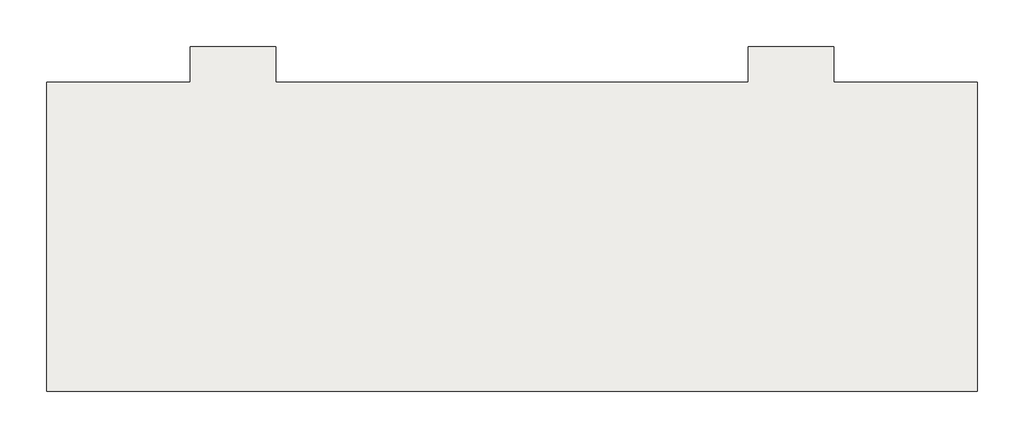
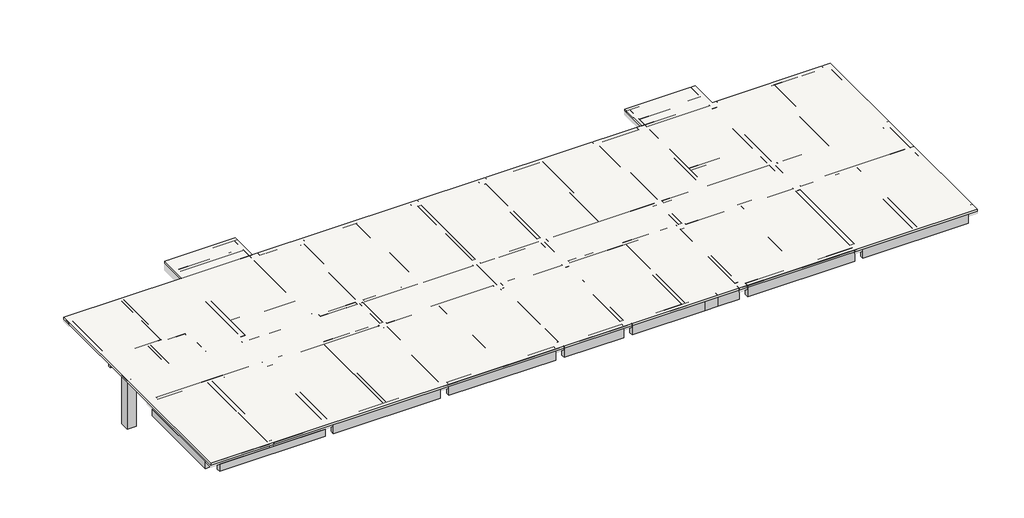
# One storey, part 1 of 3: 42 beams, 1 column, 1 slab.
"""IFC4 building model written with IfcOpenShell, lengths in millimetres."""

import ifcopenshell
import ifcopenshell.guid

model = None  # the IFC model being written
_history = None  # IfcOwnerHistory: only IFC2X3 demands one
_inside = {}  # id of a spatial element -> (the spatial element, [elements in it])
_under = {}  # id of a project, library or spatial element -> (it, [spatial elements below it])
_declared = {}  # id of a project -> (the project, [libraries it declares])
_typed = {}  # id of a type object -> (the type object, [elements of that type])
_made_of = {}  # id of a material, layer set ... -> (it, [elements and type objects made of it])


def new_model(schema):
    """Start an empty IFC model of exactly this schema.

    Asked for "IFC4X3", IfcOpenShell would pick the latest addendum, in which some entities
    have other attributes; the version numbers below select the first issue.
    IFC2X3 requires an IfcOwnerHistory on every rooted entity: one is made here for all.
    """
    global model, _history
    if schema == "IFC4X3":
        model = ifcopenshell.file(schema_version=(4, 3, 0, 0))
    else:
        model = ifcopenshell.file(schema=schema)
    _inside.clear()
    _under.clear()
    _declared.clear()
    _typed.clear()
    _made_of.clear()
    _history = None
    if model.schema == "IFC2X3":
        org = make("IfcOrganization", Name="unknown")
        user = make(
            "IfcPersonAndOrganization",
            ThePerson=make("IfcPerson", FamilyName="unknown"),
            TheOrganization=org,
        )
        app = make(
            "IfcApplication",
            ApplicationDeveloper=org,
            Version="unknown",
            ApplicationFullName="unknown",
            ApplicationIdentifier="unknown",
        )
        _history = make(
            "IfcOwnerHistory",
            OwningUser=user,
            OwningApplication=app,
            ChangeAction="ADDED",
            CreationDate=0,
        )
    return model


def make(cls, **values):
    """One entity of the class cls with the attributes given. An attribute that is None is left unset."""
    return model.create_entity(
        cls, **{name: value for name, value in values.items() if value is not None}
    )


def rooted(cls, **values):
    """An entity with a GlobalId (a new one), such as an element, a storey or a relation."""
    return make(cls, GlobalId=ifcopenshell.guid.new(), OwnerHistory=_history, **values)


def si_unit(unit_type, name, prefix=None):
    """IfcSIUnit, for example si_unit("LENGTHUNIT", "METRE", prefix="MILLI")."""
    return make("IfcSIUnit", UnitType=unit_type, Prefix=prefix, Name=name)


def assignment(units):
    """IfcUnitAssignment: the units of a project."""
    return None if units is None else make("IfcUnitAssignment", Units=units)


def point(xyz):
    """IfcCartesianPoint."""
    return None if xyz is None else make("IfcCartesianPoint", Coordinates=xyz)


def direction(xyz):
    """IfcDirection."""
    return None if xyz is None else make("IfcDirection", DirectionRatios=xyz)


def frame(location, z_axis=None, x_axis=None):
    """IfcAxis2Placement3D, a coordinate frame: its origin and axes. An axis left out is left unset."""
    return make(
        "IfcAxis2Placement3D",
        Location=point(location),
        Axis=direction(z_axis),
        RefDirection=direction(x_axis),
    )


def origin():
    """The frame at (0, 0, 0) with its axes left unset."""
    return frame((0.0, 0.0, 0.0))


def place(relative_to, where):
    """IfcLocalPlacement: puts the frame where relative to a parent placement (None: the world)."""
    return make(
        "IfcLocalPlacement", PlacementRelTo=relative_to, RelativePlacement=where
    )


def context(
    kind, dimensions, precision=None, world=None, true_north=None, identifier=None
):
    """IfcGeometricRepresentationContext, for example the 3D "Model" context."""
    return make(
        "IfcGeometricRepresentationContext",
        ContextIdentifier=identifier,
        ContextType=kind,
        CoordinateSpaceDimension=dimensions,
        Precision=precision,
        WorldCoordinateSystem=world,
        TrueNorth=true_north,
    )


def project(units=None, contexts=None):
    """IfcProject with its units and contexts."""
    return rooted(
        "IfcProject",
        Name="project",
        RepresentationContexts=contexts,
        UnitsInContext=assignment(units),
    )


def spatial(cls, under=None, at=None, **own):
    """A site, building, storey or space (cls), placed at a placement, below another one or the project."""
    s = rooted(cls, ObjectPlacement=at, **own)
    if under is not None:
        _under.setdefault(under.id(), (under, []))[1].append(s)
    return s


def polyline(points):
    """IfcPolyline through the points."""
    return make("IfcPolyline", Points=[point(p) for p in points])


def outline(outer, holes=None, kind="AREA"):
    """IfcArbitraryClosedProfileDef: a profile drawn as a closed curve; with holes, ...WithVoids."""
    if holes is None:
        return make("IfcArbitraryClosedProfileDef", ProfileType=kind, OuterCurve=outer)
    return make(
        "IfcArbitraryProfileDefWithVoids",
        ProfileType=kind,
        OuterCurve=outer,
        InnerCurves=holes,
    )


def extrude(swept, where, along, depth):
    """IfcExtrudedAreaSolid: the profile swept, set in the frame where, extruded along a direction by depth."""
    return make(
        "IfcExtrudedAreaSolid",
        SweptArea=swept,
        Position=where,
        ExtrudedDirection=direction(along),
        Depth=depth,
    )


def faces_of(points, faces, orient=None, outer=None):
    """IfcFace entities. A face is a list of loops; a loop is a list of indices into points, from 0.

    orient and outer hold one flag for each loop. By default every Orientation is true, the
    first loop of a face is its IfcFaceOuterBound and the others are IfcFaceBound.
    """
    made = []
    for i, loops in enumerate(faces):
        bounds = []
        for j, loop in enumerate(loops):
            is_outer = j == 0 if outer is None else outer[i][j]
            bounds.append(
                make(
                    "IfcFaceOuterBound" if is_outer else "IfcFaceBound",
                    Bound=make("IfcPolyLoop", Polygon=[points[k] for k in loop]),
                    Orientation=True if orient is None else orient[i][j],
                )
            )
        made.append(make("IfcFace", Bounds=bounds))
    return made


def faceted_brep(points, faces, orient=None, outer=None, voids=None):
    """IfcFacetedBrep: a solid bounded by flat faces; with voids (closed shells), ...WithVoids."""
    shared = [point(p) for p in points]
    hull = make("IfcClosedShell", CfsFaces=faces_of(shared, faces, orient, outer))
    if voids is None:
        return make("IfcFacetedBrep", Outer=hull)
    return make(
        "IfcFacetedBrepWithVoids",
        Outer=hull,
        Voids=[
            make(cls, CfsFaces=faces_of(shared, fs, o, b)) for cls, fs, o, b in voids
        ],
    )


def shape(context_of_items, identifier, shape_type, items):
    """IfcShapeRepresentation: the items that make up one representation, for example the "Body"."""
    return make(
        "IfcShapeRepresentation",
        ContextOfItems=context_of_items,
        RepresentationIdentifier=identifier,
        RepresentationType=shape_type,
        Items=items,
    )


def made_of(thing, what):
    """Note that an element or type object is made of a material, layer set ...; save() writes the relation."""
    if what is not None:
        _made_of.setdefault(what.id(), (what, []))[1].append(thing)
    return thing


def element(
    cls,
    number,
    at=None,
    inside=None,
    cuts=None,
    type_object=None,
    material=None,
    context=None,
    identifier="Body",
    shape_type=None,
    held_by="IfcProductDefinitionShape",
    body=None,
    shapes=None,
    **own,
):
    """One element of the class cls, such as IfcWall. Its Tag is "e" and its number.

    at: its placement. inside: the storey or other place that contains it. cuts: it is an
    opening in that element (IfcRelVoidsElement). A single representation is given by context,
    identifier, shape_type and body (its items); several are given by shapes. held_by: the class
    of the entity that holds the representations. save() writes the other relations.
    """
    e = rooted(cls, Tag="e%d" % number, ObjectPlacement=at, **own)
    if body is not None:
        shapes = [shape(context, identifier, shape_type, body)]
    if shapes is not None:
        e.Representation = make(held_by, Representations=shapes)
    if inside is not None:
        _inside.setdefault(inside.id(), (inside, []))[1].append(e)
    if cuts is not None:
        rooted(
            "IfcRelVoidsElement", RelatingBuildingElement=cuts, RelatedOpeningElement=e
        )
    if type_object is not None:
        _typed.setdefault(type_object.id(), (type_object, []))[1].append(e)
    return made_of(e, material)


def aggregate(whole, parts):
    """IfcRelAggregates: a whole, such as a stair, and the parts it consists of."""
    return rooted("IfcRelAggregates", RelatingObject=whole, RelatedObjects=parts)


def save(model, path):
    """Write the relations noted so far, then the file.

    IfcRelAggregates (storeys below a building ...), IfcRelContainedInSpatialStructure (elements
    in a storey), IfcRelDefinesByType, IfcRelAssociatesMaterial and IfcRelDeclares: one each for
    every whole, place, type object, material and project.
    """
    for whole, parts in _under.values():
        aggregate(whole, parts)
    for where, things in _inside.values():
        rooted(
            "IfcRelContainedInSpatialStructure",
            RelatedElements=things,
            RelatingStructure=where,
        )
    for kind, things in _typed.values():
        rooted("IfcRelDefinesByType", RelatedObjects=things, RelatingType=kind)
    for what, things in _made_of.values():
        rooted("IfcRelAssociatesMaterial", RelatedObjects=things, RelatingMaterial=what)
    for by, libraries in _declared.values():
        rooted("IfcRelDeclares", RelatingContext=by, RelatedDefinitions=libraries)
    model.write(path)


model = new_model("IFC4")

# Units and contexts
model_context = context("Model", 3, world=origin())
ifc_project = project(units=[si_unit("LENGTHUNIT", "METRE", prefix="MILLI")], contexts=[model_context])

# Site, building, storey
site = spatial("IfcSite", under=ifc_project)
building = spatial("IfcBuilding", under=site)
storey = spatial("IfcBuildingStorey", under=building, Elevation=4000.0)

# Beams
placement = place(None, origin())
element("IfcBeam", 1, at=placement, inside=storey, context=model_context, shape_type="Brep", body=[
    faceted_brep([(-24305.1125676, 10593.5678722, 3100.0), (-16080.1125676, 10593.5678722, 3100.0), (-16080.1125676, 10593.5678722, 3700.0), (-24305.1125676, 10593.5678722, 3700.0), (-24305.1125676, 10893.5678722, 3100.0), (-16080.1125676, 10893.5678722, 3100.0), (-24305.1125676, 10893.5678722, 3700.0), (-20655.1125676, 10893.5678722, 3700.0), (-20455.1125676, 10893.5678722, 3700.0), (-16080.1125676, 10893.5678722, 3700.0)], [[[0, 1, 2, 3]], [[1, 0, 4, 5]], [[5, 4, 6, 7, 8, 9]], [[4, 0, 3, 6]], [[1, 5, 9, 2]], [[3, 2, 9, 8, 7, 6]]]),
])
element("IfcBeam", 2, at=placement, inside=storey, context=model_context, shape_type="Brep", body=[
    faceted_brep([(-20455.1125676, 10593.5678722, 4000.0), (-20655.1125676, 10593.5678722, 4000.0), (-20655.1125676, 5318.5678722, 4000.0), (-20455.1125676, 5318.5678722, 4000.0), (-20655.1125676, 10593.5678722, 3550.0), (-20655.1125676, 5318.5678722, 3550.0), (-20655.1125676, 5318.5678722, 3700.0), (-20455.1125676, 10593.5678722, 3550.0), (-20455.1125676, 5318.5678722, 3550.0), (-20455.1125676, 5318.5678722, 3700.0)], [[[0, 1, 2, 3]], [[1, 4, 5, 6, 2]], [[4, 7, 8, 5]], [[7, 0, 3, 9, 8]], [[1, 0, 7, 4]], [[3, 2, 6, 5, 8, 9]]]),
])
element("IfcBeam", 3, at=placement, inside=storey, context=model_context, shape_type="Brep", body=[
    faceted_brep([(-21555.1125676, 2668.5678722, 4000.0), (-21755.1125676, 2668.5678722, 4000.0), (-21755.1125676, 2668.5678722, 3700.0), (-21755.1125676, 2668.5678722, 3650.0), (-21555.1125676, 2668.5678722, 3650.0), (-21555.1125676, 2668.5678722, 3700.0), (-21555.1125676, 5118.5678722, 4000.0), (-21755.1125676, 5118.5678722, 4000.0), (-21755.1125676, 5118.5678722, 3700.0), (-21755.1125676, 5118.5678722, 3650.0), (-21555.1125676, 5118.5678722, 3650.0), (-21555.1125676, 5118.5678722, 3700.0)], [[[0, 1, 2, 3, 4, 5]], [[1, 0, 6, 7]], [[3, 2, 1, 7, 8, 9]], [[4, 3, 9, 10]], [[0, 5, 4, 10, 11, 6]], [[7, 6, 11, 10, 9, 8]]]),
])
element("IfcBeam", 4, at=placement, inside=storey, context=model_context, shape_type="Brep", body=[
    faceted_brep([(-18680.1125676, 2643.5678722, 4000.0), (-18880.1125676, 2643.5678722, 4000.0), (-18880.1125676, 2643.5678722, 3700.0), (-18880.1125676, 2643.5678722, 3650.0), (-18680.1125676, 2643.5678722, 3650.0), (-18680.1125676, 2643.5678722, 3700.0), (-18680.1125676, 5118.5678722, 4000.0), (-18880.1125676, 5118.5678722, 4000.0), (-18880.1125676, 5118.5678722, 3700.0), (-18880.1125676, 5118.5678722, 3650.0), (-18680.1125676, 5118.5678722, 3650.0), (-18680.1125676, 5118.5678722, 3700.0)], [[[0, 1, 2, 3, 4, 5]], [[1, 0, 6, 7]], [[3, 2, 1, 7, 8, 9]], [[4, 3, 9, 10]], [[0, 5, 4, 10, 11, 6]], [[7, 6, 11, 10, 9, 8]]]),
])
element("IfcBeam", 5, at=placement, inside=storey, context=model_context, shape_type="Brep", body=[
    faceted_brep([(-15780.1125676, 5118.5678722, 4000.0), (-15780.1125676, 5318.5678722, 4000.0), (-20455.1125676, 5318.5678722, 4000.0), (-20655.1125676, 5318.5678722, 4000.0), (-24705.1125676, 5318.5678722, 4000.0), (-24705.1125676, 5118.5678722, 4000.0), (-21755.1125676, 5118.5678722, 4000.0), (-21555.1125676, 5118.5678722, 4000.0), (-18880.1125676, 5118.5678722, 4000.0), (-18680.1125676, 5118.5678722, 4000.0), (-15780.1125676, 5118.5678722, 3250.0), (-15780.1125676, 5118.5678722, 3700.0), (-24705.1125676, 5118.5678722, 3700.0), (-24705.1125676, 5118.5678722, 3250.0), (-15780.1125676, 5318.5678722, 3250.0), (-24705.1125676, 5318.5678722, 3250.0), (-15780.1125676, 5318.5678722, 3700.0), (-24705.1125676, 5318.5678722, 3700.0)], [[[0, 1, 2, 3, 4, 5, 6, 7, 8, 9]], [[10, 11, 0, 9, 8, 7, 6, 5, 12, 13]], [[14, 10, 13, 15]], [[1, 16, 14, 15, 17, 4, 3, 2]], [[1, 0, 11, 10, 14, 16]], [[5, 4, 17, 15, 13, 12]]]),
])
element("IfcBeam", 6, at=placement, inside=storey, context=model_context, shape_type="Brep", body=[
    faceted_brep([(-15780.1125676, 2918.5678722, 4000.0), (-15430.1125676, 2918.5678722, 4000.0), (-15430.1125676, 4723.5678722, 4000.0), (-15430.1125676, 4973.5678722, 4000.0), (-15430.1125676, 10243.5678722, 4000.0), (-15780.1125676, 10243.5678722, 4000.0), (-15780.1125676, 5318.5678722, 4000.0), (-15780.1125676, 5118.5678722, 4000.0), (-15780.1125676, 2918.5678722, 3250.0), (-15780.1125676, 2918.5678722, 3700.0), (-15780.1125676, 10243.5678722, 3700.0), (-15780.1125676, 10243.5678722, 3250.0), (-15780.1125676, 5318.5678722, 3250.0), (-15780.1125676, 5118.5678722, 3250.0), (-15430.1125676, 2918.5678722, 3250.0), (-15430.1125676, 10243.5678722, 3250.0), (-15430.1125676, 2918.5678722, 3700.0), (-15430.1125676, 10243.5678722, 3700.0)], [[[0, 1, 2, 3, 4, 5, 6, 7]], [[8, 9, 0, 7, 6, 5, 10, 11, 12, 13]], [[14, 8, 13, 12, 11, 15]], [[1, 16, 14, 15, 17, 4, 3, 2]], [[4, 17, 15, 11, 10, 5]], [[1, 0, 9, 8, 14, 16]]]),
])
element("IfcBeam", 7, at=placement, inside=storey, context=model_context, shape_type="Brep", body=[
    faceted_brep([(-6455.1125676, -381.4321278, 4000.0), (-6455.1125676, -631.4321278, 4000.0), (-2380.1125676, -631.4321278, 4000.0), (-2130.1125676, -631.4321278, 4000.0), (1969.8874324, -631.4321278, 4000.0), (1969.8874324, -381.4321278, 4000.0), (-6455.1125676, -631.4321278, 3250.0), (1969.8874324, -631.4321278, 3250.0), (-6455.1125676, -381.4321278, 3250.0), (1969.8874324, -381.4321278, 3250.0)], [[[0, 1, 2, 3, 4, 5]], [[1, 6, 7, 4, 3, 2]], [[6, 8, 9, 7]], [[8, 0, 5, 9]], [[1, 0, 8, 6]], [[5, 4, 7, 9]]]),
])
element("IfcBeam", 8, at=placement, inside=storey, context=model_context, shape_type="Brep", body=[
    faceted_brep([(-15430.1125676, -381.4321278, 4000.0), (-15430.1125676, -631.4321278, 4000.0), (-11380.1125676, -631.4321278, 4000.0), (-11130.1125676, -631.4321278, 4000.0), (-7055.1125676, -631.4321278, 4000.0), (-7055.1125676, -381.4321278, 4000.0), (-15430.1125676, -631.4321278, 3700.0), (-15430.1125676, -631.4321278, 3250.0), (-7055.1125676, -631.4321278, 3250.0), (-15430.1125676, -381.4321278, 3250.0), (-7055.1125676, -381.4321278, 3250.0), (-15430.1125676, -381.4321278, 3700.0)], [[[0, 1, 2, 3, 4, 5]], [[1, 6, 7, 8, 4, 3, 2]], [[7, 9, 10, 8]], [[9, 11, 0, 5, 10]], [[0, 11, 9, 7, 6, 1]], [[5, 4, 8, 10]]]),
])
element("IfcBeam", 9, at=placement, inside=storey, context=model_context, shape_type="Brep", body=[
    faceted_brep([(-24305.1125676, -381.4321278, 4000.0), (-24305.1125676, -631.4321278, 4000.0), (-20430.1125676, -631.4321278, 4000.0), (-20080.1125676, -631.4321278, 4000.0), (-16030.1125676, -631.4321278, 4000.0), (-16030.1125676, -381.4321278, 4000.0), (-24305.1125676, -631.4321278, 3700.0), (-24305.1125676, -631.4321278, 3250.0), (-16030.1125676, -631.4321278, 3250.0), (-24305.1125676, -381.4321278, 3250.0), (-16030.1125676, -381.4321278, 3250.0), (-24305.1125676, -381.4321278, 3700.0)], [[[0, 1, 2, 3, 4, 5]], [[1, 6, 7, 8, 4, 3, 2]], [[7, 9, 10, 8]], [[9, 11, 0, 5, 10]], [[0, 11, 9, 7, 6, 1]], [[5, 4, 8, 10]]]),
])
element("IfcBeam", 10, at=placement, inside=storey, context=model_context, shape_type="SweptSolid", body=[
    extrude(outline(polyline([(-24705.1125676, -1081.4321278), (-24705.1125676, -8256.4321278), (-25005.1125676, -8256.4321278), (-25005.1125676, -1081.4321278), (-24705.1125676, -1081.4321278)])), frame((0.0, 0.0, 3150.0), z_axis=(0.0, 0.0, 1.0), x_axis=(1.0, 0.0, 0.0)), (0.0, 0.0, 1.0), 550.0),
])
element("IfcBeam", 11, at=placement, inside=storey, context=model_context, shape_type="Brep", body=[
    faceted_brep([(-24305.1125676, -8956.4321278, 3100.0), (-16080.1125676, -8956.4321278, 3100.0), (-16080.1125676, -8956.4321278, 3700.0), (-20080.1125676, -8956.4321278, 3700.0), (-20430.1125676, -8956.4321278, 3700.0), (-24305.1125676, -8956.4321278, 3700.0), (-24305.1125676, -8656.4321278, 3100.0), (-16080.1125676, -8656.4321278, 3100.0), (-24305.1125676, -8656.4321278, 3700.0), (-16080.1125676, -8656.4321278, 3700.0)], [[[0, 1, 2, 3, 4, 5]], [[1, 0, 6, 7]], [[7, 6, 8, 9]], [[1, 7, 9, 2]], [[6, 0, 5, 8]], [[5, 4, 3, 2, 9, 8]]]),
])
element("IfcBeam", 12, at=placement, inside=storey, context=model_context, shape_type="Brep", body=[
    faceted_brep([(-7080.1125676, -8956.4321278, 4000.0), (-7080.1125676, -8656.4321278, 4000.0), (-11130.1125676, -8656.4321278, 4000.0), (-11380.1125676, -8656.4321278, 4000.0), (-15430.1125676, -8656.4321278, 4000.0), (-15430.1125676, -8956.4321278, 4000.0), (-7080.1125676, -8956.4321278, 3100.0), (-7080.1125676, -8956.4321278, 3700.0), (-15430.1125676, -8956.4321278, 3700.0), (-15430.1125676, -8956.4321278, 3100.0), (-7080.1125676, -8656.4321278, 3100.0), (-15430.1125676, -8656.4321278, 3100.0), (-7080.1125676, -8656.4321278, 3700.0), (-15430.1125676, -8656.4321278, 3700.0)], [[[0, 1, 2, 3, 4, 5]], [[6, 7, 0, 5, 8, 9]], [[10, 6, 9, 11]], [[1, 12, 10, 11, 13, 4, 3, 2]], [[4, 13, 11, 9, 8, 5]], [[1, 0, 7, 6, 10, 12]]]),
])
element("IfcBeam", 13, at=placement, inside=storey, context=model_context, shape_type="Brep", body=[
    faceted_brep([(1919.8874324, -8956.4321278, 4000.0), (1919.8874324, -8656.4321278, 4000.0), (-2130.1125676, -8656.4321278, 4000.0), (-2380.1125676, -8656.4321278, 4000.0), (-6430.1125676, -8656.4321278, 4000.0), (-6430.1125676, -8956.4321278, 4000.0), (1919.8874324, -8956.4321278, 3100.0), (1919.8874324, -8956.4321278, 3700.0), (-6430.1125676, -8956.4321278, 3700.0), (-6430.1125676, -8956.4321278, 3100.0), (1919.8874324, -8656.4321278, 3100.0), (-6430.1125676, -8656.4321278, 3100.0), (1919.8874324, -8656.4321278, 3700.0), (-6430.1125676, -8656.4321278, 3700.0)], [[[0, 1, 2, 3, 4, 5]], [[6, 7, 0, 5, 8, 9]], [[10, 6, 9, 11]], [[1, 12, 10, 11, 13, 4, 3, 2]], [[4, 13, 11, 9, 8, 5]], [[1, 0, 7, 6, 10, 12]]]),
])
element("IfcBeam", 14, at=placement, inside=storey, context=model_context, shape_type="Brep", body=[
    faceted_brep([(7219.8874324, -8956.4321278, 4000.0), (7219.8874324, -8656.4321278, 4000.0), (2569.8874324, -8656.4321278, 4000.0), (2569.8874324, -8956.4321278, 4000.0), (7219.8874324, -8956.4321278, 3100.0), (7219.8874324, -8956.4321278, 3700.0), (2569.8874324, -8956.4321278, 3700.0), (2569.8874324, -8956.4321278, 3100.0), (7219.8874324, -8656.4321278, 3100.0), (2569.8874324, -8656.4321278, 3100.0), (7219.8874324, -8656.4321278, 3700.0), (2569.8874324, -8656.4321278, 3700.0)], [[[0, 1, 2, 3]], [[4, 5, 0, 3, 6, 7]], [[8, 4, 7, 9]], [[1, 10, 8, 9, 11, 2]], [[2, 11, 9, 7, 6, 3]], [[1, 0, 5, 4, 8, 10]]]),
])
element("IfcBeam", 15, at=placement, inside=storey, context=model_context, shape_type="Brep", body=[
    faceted_brep([(13544.8874324, -8956.4321278, 4000.0), (13544.8874324, -8656.4321278, 4000.0), (12169.8874324, -8656.4321278, 4000.0), (11919.8874324, -8656.4321278, 4000.0), (7869.8874324, -8656.4321278, 4000.0), (7869.8874324, -8956.4321278, 4000.0), (13544.8874324, -8956.4321278, 3100.0), (7869.8874324, -8956.4321278, 3700.0), (7869.8874324, -8956.4321278, 3100.0), (13544.8874324, -8656.4321278, 3100.0), (7869.8874324, -8656.4321278, 3100.0), (7869.8874324, -8656.4321278, 3700.0)], [[[0, 1, 2, 3, 4, 5]], [[6, 0, 5, 7, 8]], [[9, 6, 8, 10]], [[1, 9, 10, 11, 4, 3, 2]], [[4, 11, 10, 8, 7, 5]], [[1, 0, 6, 9]]]),
])
element("IfcBeam", 16, at=placement, inside=storey, context=model_context, shape_type="Brep", body=[
    faceted_brep([(16219.8874324, -8956.4321278, 4000.0), (16219.8874324, -8656.4321278, 4000.0), (14544.8874324, -8656.4321278, 4000.0), (14544.8874324, -8956.4321278, 4000.0), (16219.8874324, -8956.4321278, 3100.0), (16219.8874324, -8956.4321278, 3700.0), (14544.8874324, -8956.4321278, 3100.0), (16219.8874324, -8656.4321278, 3100.0), (14544.8874324, -8656.4321278, 3100.0), (16219.8874324, -8656.4321278, 3700.0)], [[[0, 1, 2, 3]], [[4, 5, 0, 3, 6]], [[7, 4, 6, 8]], [[1, 9, 7, 8, 2]], [[1, 0, 5, 4, 7, 9]], [[2, 8, 6, 3]]]),
])
element("IfcBeam", 17, at=placement, inside=storey, context=model_context, shape_type="SweptSolid", body=[
    extrude(outline(polyline([(14544.8874324, -8656.4321278), (14544.8874324, -8956.4321278), (13544.8874324, -8956.4321278), (13544.8874324, -8656.4321278), (14544.8874324, -8656.4321278)])), frame((0.0, 0.0, 3100.0), z_axis=(0.0, 0.0, 1.0), x_axis=(1.0, 0.0, 0.0)), (0.0, 0.0, 1.0), 900.0),
])
element("IfcBeam", 18, at=placement, inside=storey, context=model_context, shape_type="Brep", body=[
    faceted_brep([(25219.8874324, -8956.4321278, 4000.0), (25219.8874324, -8656.4321278, 4000.0), (21169.8874324, -8656.4321278, 4000.0), (20919.8874324, -8656.4321278, 4000.0), (16869.8874324, -8656.4321278, 4000.0), (16869.8874324, -8956.4321278, 4000.0), (25219.8874324, -8956.4321278, 3100.0), (25219.8874324, -8956.4321278, 3700.0), (16869.8874324, -8956.4321278, 3700.0), (16869.8874324, -8956.4321278, 3100.0), (25219.8874324, -8656.4321278, 3100.0), (16869.8874324, -8656.4321278, 3100.0), (25219.8874324, -8656.4321278, 3700.0), (16869.8874324, -8656.4321278, 3700.0)], [[[0, 1, 2, 3, 4, 5]], [[6, 7, 0, 5, 8, 9]], [[10, 6, 9, 11]], [[1, 12, 10, 11, 13, 4, 3, 2]], [[1, 0, 7, 6, 10, 12]], [[4, 13, 11, 9, 8, 5]]]),
])
element("IfcBeam", 19, at=placement, inside=storey, context=model_context, shape_type="Brep", body=[
    faceted_brep([(34094.8874324, -8956.4321278, 4000.0), (34094.8874324, -8656.4321278, 4000.0), (30219.8874324, -8656.4321278, 4000.0), (29869.8874324, -8656.4321278, 4000.0), (25869.8874324, -8656.4321278, 4000.0), (25869.8874324, -8956.4321278, 4000.0), (34094.8874324, -8956.4321278, 3100.0), (34094.8874324, -8956.4321278, 3700.0), (25869.8874324, -8956.4321278, 3700.0), (25869.8874324, -8956.4321278, 3100.0), (34094.8874324, -8656.4321278, 3100.0), (25869.8874324, -8656.4321278, 3100.0), (34094.8874324, -8656.4321278, 3700.0), (25869.8874324, -8656.4321278, 3700.0)], [[[0, 1, 2, 3, 4, 5]], [[6, 7, 0, 5, 8, 9]], [[10, 6, 9, 11]], [[1, 12, 10, 11, 13, 4, 3, 2]], [[1, 0, 7, 6, 10, 12]], [[4, 13, 11, 9, 8, 5]]]),
])
element("IfcBeam", 20, at=placement, inside=storey, context=model_context, shape_type="Brep", body=[
    faceted_brep([(-10530.1125676, 2318.5678722, 4000.0), (-10530.1125676, 2568.5678722, 4000.0), (-15430.1125676, 2568.5678722, 4000.0), (-15430.1125676, 2318.5678722, 4000.0), (-10530.1125676, 2318.5678722, 3250.0), (-10530.1125676, 2318.5678722, 3700.0), (-15430.1125676, 2318.5678722, 3700.0), (-15430.1125676, 2318.5678722, 3250.0), (-10530.1125676, 2568.5678722, 3250.0), (-15430.1125676, 2568.5678722, 3250.0), (-10530.1125676, 2568.5678722, 3700.0), (-15430.1125676, 2568.5678722, 3700.0)], [[[0, 1, 2, 3]], [[4, 5, 0, 3, 6, 7]], [[8, 4, 7, 9]], [[1, 10, 8, 9, 11, 2]], [[2, 11, 9, 7, 6, 3]], [[1, 0, 5, 4, 8, 10]]]),
])
element("IfcBeam", 21, at=placement, inside=storey, context=model_context, shape_type="Brep", body=[
    faceted_brep([(-7055.1125676, 2318.5678722, 4000.0), (-7055.1125676, 2568.5678722, 4000.0), (-9930.1125676, 2568.5678722, 4000.0), (-9930.1125676, 2318.5678722, 4000.0), (-7055.1125676, 2318.5678722, 3250.0), (-7055.1125676, 2318.5678722, 3700.0), (-9930.1125676, 2318.5678722, 3250.0), (-7055.1125676, 2568.5678722, 3250.0), (-9930.1125676, 2568.5678722, 3250.0), (-7055.1125676, 2568.5678722, 3700.0)], [[[0, 1, 2, 3]], [[4, 5, 0, 3, 6]], [[7, 4, 6, 8]], [[1, 9, 7, 8, 2]], [[1, 0, 5, 4, 7, 9]], [[3, 2, 8, 6]]]),
])
element("IfcBeam", 22, at=placement, inside=storey, context=model_context, shape_type="Brep", body=[
    faceted_brep([(-6455.1125676, 2568.5678722, 4000.0), (-6455.1125676, 2318.5678722, 4000.0), (1969.8874324, 2318.5678722, 4000.0), (1969.8874324, 2568.5678722, 4000.0), (-2130.1125676, 2568.5678722, 4000.0), (-2380.1125676, 2568.5678722, 4000.0), (-6455.1125676, 2318.5678722, 3250.0), (1969.8874324, 2318.5678722, 3250.0), (-6455.1125676, 2568.5678722, 3250.0), (1969.8874324, 2568.5678722, 3250.0)], [[[0, 1, 2, 3, 4, 5]], [[1, 6, 7, 2]], [[6, 8, 9, 7]], [[8, 0, 5, 4, 3, 9]], [[1, 0, 8, 6]], [[3, 2, 7, 9]]]),
])
element("IfcBeam", 23, at=placement, inside=storey, context=model_context, shape_type="Brep", body=[
    faceted_brep([(-15430.1125676, 4973.5678722, 4000.0), (-15430.1125676, 4723.5678722, 4000.0), (-10530.1125676, 4723.5678722, 4000.0), (-10530.1125676, 4973.5678722, 4000.0), (-15430.1125676, 4723.5678722, 3700.0), (-15430.1125676, 4723.5678722, 3550.0), (-10530.1125676, 4723.5678722, 3550.0), (-10530.1125676, 4723.5678722, 3700.0), (-15430.1125676, 4973.5678722, 3550.0), (-10530.1125676, 4973.5678722, 3550.0), (-15430.1125676, 4973.5678722, 3700.0), (-10530.1125676, 4973.5678722, 3700.0)], [[[0, 1, 2, 3]], [[1, 4, 5, 6, 7, 2]], [[5, 8, 9, 6]], [[8, 10, 0, 3, 11, 9]], [[1, 0, 10, 8, 5, 4]], [[3, 2, 7, 6, 9, 11]]]),
])
element("IfcBeam", 24, at=placement, inside=storey, context=model_context, shape_type="Brep", body=[
    faceted_brep([(-10280.1125676, 10243.5678722, 4000.0), (-10530.1125676, 10243.5678722, 4000.0), (-10530.1125676, 4973.5678722, 4000.0), (-10530.1125676, 4723.5678722, 4000.0), (-10530.1125676, 2918.5678722, 4000.0), (-10280.1125676, 2918.5678722, 4000.0), (-10530.1125676, 10243.5678722, 3700.0), (-10530.1125676, 10243.5678722, 3250.0), (-10530.1125676, 2918.5678722, 3250.0), (-10280.1125676, 10243.5678722, 3250.0), (-10280.1125676, 2918.5678722, 3250.0), (-10280.1125676, 10243.5678722, 3700.0)], [[[0, 1, 2, 3, 4, 5]], [[1, 6, 7, 8, 4, 3, 2]], [[7, 9, 10, 8]], [[9, 11, 0, 5, 10]], [[0, 11, 9, 7, 6, 1]], [[5, 4, 8, 10]]]),
])
element("IfcBeam", 25, at=placement, inside=storey, context=model_context, shape_type="Brep", body=[
    faceted_brep([(7219.8874324, -631.4321278, 4000.0), (7219.8874324, -381.4321278, 4000.0), (2569.8874324, -381.4321278, 4000.0), (2569.8874324, -631.4321278, 4000.0), (7219.8874324, -631.4321278, 3250.0), (7219.8874324, -631.4321278, 3700.0), (2569.8874324, -631.4321278, 3700.0), (2569.8874324, -631.4321278, 3250.0), (7219.8874324, -381.4321278, 3250.0), (2569.8874324, -381.4321278, 3250.0), (7219.8874324, -381.4321278, 3700.0), (2569.8874324, -381.4321278, 3700.0)], [[[0, 1, 2, 3]], [[4, 5, 0, 3, 6, 7]], [[8, 4, 7, 9]], [[1, 10, 8, 9, 11, 2]], [[2, 11, 9, 7, 6, 3]], [[1, 0, 5, 4, 8, 10]]]),
])
element("IfcBeam", 26, at=placement, inside=storey, context=model_context, shape_type="Brep", body=[
    faceted_brep([(16244.8874324, -631.4321278, 4000.0), (16244.8874324, -381.4321278, 4000.0), (7819.8874324, -381.4321278, 4000.0), (7819.8874324, -631.4321278, 4000.0), (11919.8874324, -631.4321278, 4000.0), (12169.8874324, -631.4321278, 4000.0), (16244.8874324, -631.4321278, 3250.0), (16244.8874324, -631.4321278, 3700.0), (7819.8874324, -631.4321278, 3700.0), (7819.8874324, -631.4321278, 3250.0), (16244.8874324, -381.4321278, 3250.0), (7819.8874324, -381.4321278, 3250.0), (16244.8874324, -381.4321278, 3700.0), (7819.8874324, -381.4321278, 3700.0)], [[[0, 1, 2, 3, 4, 5]], [[6, 7, 0, 5, 4, 3, 8, 9]], [[10, 6, 9, 11]], [[1, 12, 10, 11, 13, 2]], [[2, 13, 11, 9, 8, 3]], [[1, 0, 7, 6, 10, 12]]]),
])
element("IfcBeam", 27, at=placement, inside=storey, context=model_context, shape_type="Brep", body=[
    faceted_brep([(25219.8874324, -631.4321278, 4000.0), (25219.8874324, -381.4321278, 4000.0), (16844.8874324, -381.4321278, 4000.0), (16844.8874324, -631.4321278, 4000.0), (20919.8874324, -631.4321278, 4000.0), (21169.8874324, -631.4321278, 4000.0), (25219.8874324, -631.4321278, 3250.0), (25219.8874324, -631.4321278, 3700.0), (16844.8874324, -631.4321278, 3250.0), (25219.8874324, -381.4321278, 3250.0), (16844.8874324, -381.4321278, 3250.0), (25219.8874324, -381.4321278, 3700.0)], [[[0, 1, 2, 3, 4, 5]], [[6, 7, 0, 5, 4, 3, 8]], [[9, 6, 8, 10]], [[1, 11, 9, 10, 2]], [[1, 0, 7, 6, 9, 11]], [[3, 2, 10, 8]]]),
])
element("IfcBeam", 28, at=placement, inside=storey, context=model_context, shape_type="Brep", body=[
    faceted_brep([(34094.8874324, -631.4321278, 4000.0), (34094.8874324, -381.4321278, 4000.0), (25819.8874324, -381.4321278, 4000.0), (25819.8874324, -631.4321278, 4000.0), (29869.8874324, -631.4321278, 4000.0), (30219.8874324, -631.4321278, 4000.0), (34094.8874324, -631.4321278, 3250.0), (34094.8874324, -631.4321278, 3700.0), (25819.8874324, -631.4321278, 3250.0), (34094.8874324, -381.4321278, 3250.0), (25819.8874324, -381.4321278, 3250.0), (34094.8874324, -381.4321278, 3700.0)], [[[0, 1, 2, 3, 4, 5]], [[6, 7, 0, 5, 4, 3, 8]], [[9, 6, 8, 10]], [[1, 11, 9, 10, 2]], [[1, 0, 7, 6, 9, 11]], [[3, 2, 10, 8]]]),
])
element("IfcBeam", 29, at=placement, inside=storey, context=model_context, shape_type="Brep", body=[
    faceted_brep([(-15930.1125676, -8306.4321278, 4000.0), (-15580.1125676, -8306.4321278, 4000.0), (-15580.1125676, -981.4321278, 4000.0), (-15930.1125676, -981.4321278, 4000.0), (-15930.1125676, -8306.4321278, 3250.0), (-15930.1125676, -8306.4321278, 3700.0), (-15930.1125676, -981.4321278, 3700.0), (-15930.1125676, -981.4321278, 3250.0), (-15580.1125676, -8306.4321278, 3250.0), (-15580.1125676, -981.4321278, 3250.0), (-15580.1125676, -8306.4321278, 3700.0), (-15580.1125676, -981.4321278, 3700.0)], [[[0, 1, 2, 3]], [[4, 5, 0, 3, 6, 7]], [[8, 4, 7, 9]], [[1, 10, 8, 9, 11, 2]], [[1, 0, 5, 4, 8, 10]], [[2, 11, 9, 7, 6, 3]]]),
])
element("IfcBeam", 30, at=placement, inside=storey, context=model_context, shape_type="Brep", body=[
    faceted_brep([(-20080.1125676, -631.4321278, 4000.0), (-20430.1125676, -631.4321278, 4000.0), (-20430.1125676, -8656.4321278, 4000.0), (-20080.1125676, -8656.4321278, 4000.0), (-20430.1125676, -631.4321278, 3700.0), (-20430.1125676, -631.4321278, 3450.0), (-20430.1125676, -8656.4321278, 3450.0), (-20080.1125676, -631.4321278, 3450.0), (-20080.1125676, -8656.4321278, 3450.0), (-20080.1125676, -631.4321278, 3700.0)], [[[0, 1, 2, 3]], [[1, 4, 5, 6, 2]], [[5, 7, 8, 6]], [[7, 9, 0, 3, 8]], [[1, 0, 9, 7, 5, 4]], [[3, 2, 6, 8]]]),
])
element("IfcBeam", 31, at=placement, inside=storey, context=model_context, shape_type="Brep", body=[
    faceted_brep([(2219.8874324, -8306.4321278, 4000.0), (2469.8874324, -8306.4321278, 4000.0), (2469.8874324, -981.4321278, 4000.0), (2219.8874324, -981.4321278, 4000.0), (2469.8874324, -8306.4321278, 3700.0), (2469.8874324, -8306.4321278, 3250.0), (2469.8874324, -981.4321278, 3250.0), (2219.8874324, -8306.4321278, 3250.0), (2219.8874324, -981.4321278, 3250.0), (2219.8874324, -8306.4321278, 3700.0)], [[[0, 1, 2, 3]], [[1, 4, 5, 6, 2]], [[5, 7, 8, 6]], [[7, 9, 0, 3, 8]], [[0, 9, 7, 5, 4, 1]], [[3, 2, 6, 8]]]),
])
element("IfcBeam", 32, at=placement, inside=storey, context=model_context, shape_type="Brep", body=[
    faceted_brep([(7294.8874324, -8306.4321278, 4000.0), (7544.8874324, -8306.4321278, 4000.0), (7544.8874324, -981.4321278, 4000.0), (7294.8874324, -981.4321278, 4000.0), (7294.8874324, -8306.4321278, 3250.0), (7294.8874324, -8306.4321278, 3700.0), (7294.8874324, -981.4321278, 3250.0), (7544.8874324, -8306.4321278, 3250.0), (7544.8874324, -981.4321278, 3250.0), (7544.8874324, -8306.4321278, 3700.0)], [[[0, 1, 2, 3]], [[4, 5, 0, 3, 6]], [[7, 4, 6, 8]], [[1, 9, 7, 8, 2]], [[1, 0, 5, 4, 7, 9]], [[3, 2, 8, 6]]]),
])
element("IfcBeam", 33, at=placement, inside=storey, context=model_context, shape_type="Brep", body=[
    faceted_brep([(16244.8874324, -8306.4321278, 4000.0), (16494.8874324, -8306.4321278, 4000.0), (16494.8874324, -981.4321278, 4000.0), (16244.8874324, -981.4321278, 4000.0), (16494.8874324, -8306.4321278, 3700.0), (16494.8874324, -8306.4321278, 3250.0), (16494.8874324, -981.4321278, 3250.0), (16244.8874324, -8306.4321278, 3250.0), (16244.8874324, -981.4321278, 3250.0), (16244.8874324, -8306.4321278, 3700.0)], [[[0, 1, 2, 3]], [[1, 4, 5, 6, 2]], [[5, 7, 8, 6]], [[7, 9, 0, 3, 8]], [[0, 9, 7, 5, 4, 1]], [[3, 2, 6, 8]]]),
])
element("IfcBeam", 34, at=placement, inside=storey, context=model_context, shape_type="Brep", body=[
    faceted_brep([(25219.8874324, -8306.4321278, 4000.0), (25569.8874324, -8306.4321278, 4000.0), (25569.8874324, -981.4321278, 4000.0), (25219.8874324, -981.4321278, 4000.0), (25219.8874324, -8306.4321278, 3250.0), (25219.8874324, -8306.4321278, 3700.0), (25219.8874324, -981.4321278, 3250.0), (25569.8874324, -8306.4321278, 3250.0), (25569.8874324, -981.4321278, 3250.0), (25569.8874324, -8306.4321278, 3700.0)], [[[0, 1, 2, 3]], [[4, 5, 0, 3, 6]], [[7, 4, 6, 8]], [[1, 9, 7, 8, 2]], [[1, 0, 5, 4, 7, 9]], [[3, 2, 8, 6]]]),
])
element("IfcBeam", 35, at=placement, inside=storey, context=model_context, shape_type="Brep", body=[
    faceted_brep([(30219.8874324, -631.4321278, 4000.0), (29869.8874324, -631.4321278, 4000.0), (29869.8874324, -8656.4321278, 4000.0), (30219.8874324, -8656.4321278, 4000.0), (29869.8874324, -631.4321278, 3700.0), (29869.8874324, -631.4321278, 3450.0), (29869.8874324, -8656.4321278, 3450.0), (29869.8874324, -8656.4321278, 3700.0), (30219.8874324, -631.4321278, 3450.0), (30219.8874324, -8656.4321278, 3450.0), (30219.8874324, -631.4321278, 3700.0), (30219.8874324, -8656.4321278, 3700.0)], [[[0, 1, 2, 3]], [[1, 4, 5, 6, 7, 2]], [[5, 8, 9, 6]], [[8, 10, 0, 3, 11, 9]], [[1, 0, 10, 8, 5, 4]], [[3, 2, 7, 6, 9, 11]]]),
])
element("IfcBeam", 36, at=placement, inside=storey, context=model_context, shape_type="Brep", body=[
    faceted_brep([(34794.8874324, -1081.4321278, 4000.0), (34494.8874324, -1081.4321278, 4000.0), (34494.8874324, -8256.4321278, 4000.0), (34794.8874324, -8256.4321278, 4000.0), (34794.8874324, -1081.4321278, 3150.0), (34794.8874324, -1081.4321278, 3700.0), (34794.8874324, -8256.4321278, 3700.0), (34794.8874324, -8256.4321278, 3150.0), (34494.8874324, -1081.4321278, 3150.0), (34494.8874324, -8256.4321278, 3150.0), (34494.8874324, -1081.4321278, 3700.0), (34494.8874324, -8256.4321278, 3700.0)], [[[0, 1, 2, 3]], [[4, 5, 0, 3, 6, 7]], [[8, 4, 7, 9]], [[1, 10, 8, 9, 11, 2]], [[1, 0, 5, 4, 8, 10]], [[2, 11, 9, 7, 6, 3]]]),
])
element("IfcBeam", 37, ObjectType="KL4,250,750", at=placement, inside=storey, context=model_context, shape_type="Brep", body=[
    faceted_brep([(-6880.1125676, -8306.4321278, 4000.0), (-6630.1125676, -8306.4321278, 4000.0), (-6630.1125676, -981.4321278, 4000.0), (-6880.1125676, -981.4321278, 4000.0), (-6880.1125676, -8306.4321278, 3250.0), (-6880.1125676, -8306.4321278, 3700.0), (-6880.1125676, -981.4321278, 3700.0), (-6880.1125676, -981.4321278, 3250.0), (-6630.1125676, -8306.4321278, 3250.0), (-6630.1125676, -981.4321278, 3250.0), (-6630.1125676, -8306.4321278, 3700.0), (-6630.1125676, -981.4321278, 3700.0)], [[[0, 1, 2, 3]], [[4, 5, 0, 3, 6, 7]], [[8, 4, 7, 9]], [[1, 10, 8, 9, 11, 2]], [[1, 0, 5, 4, 8, 10]], [[2, 11, 9, 7, 6, 3]]]),
])
element("IfcBeam", 38, ObjectType="KL4,250,750", at=placement, inside=storey, context=model_context, shape_type="Brep", body=[
    faceted_brep([(-6630.1125676, 2318.5678722, 4000.0), (-6880.1125676, 2318.5678722, 4000.0), (-6880.1125676, -381.4321278, 4000.0), (-6630.1125676, -381.4321278, 4000.0), (-6630.1125676, 2318.5678722, 3250.0), (-6630.1125676, 2318.5678722, 3700.0), (-6630.1125676, -381.4321278, 3700.0), (-6630.1125676, -381.4321278, 3250.0), (-6880.1125676, 2318.5678722, 3250.0), (-6880.1125676, -381.4321278, 3250.0), (-6880.1125676, 2318.5678722, 3700.0), (-6880.1125676, -381.4321278, 3700.0)], [[[0, 1, 2, 3]], [[4, 5, 0, 3, 6, 7]], [[8, 4, 7, 9]], [[1, 10, 8, 9, 11, 2]], [[1, 0, 5, 4, 8, 10]], [[2, 11, 9, 7, 6, 3]]]),
])
element("IfcBeam", 39, ObjectType="L2,250,700", at=placement, inside=storey, context=model_context, shape_type="Brep", body=[
    faceted_brep([(-11130.1125676, -631.4321278, 4000.0), (-11380.1125676, -631.4321278, 4000.0), (-11380.1125676, -8656.4321278, 4000.0), (-11130.1125676, -8656.4321278, 4000.0), (-11380.1125676, -631.4321278, 3700.0), (-11380.1125676, -631.4321278, 3300.0), (-11380.1125676, -8656.4321278, 3300.0), (-11380.1125676, -8656.4321278, 3700.0), (-11130.1125676, -631.4321278, 3300.0), (-11130.1125676, -8656.4321278, 3300.0), (-11130.1125676, -631.4321278, 3700.0), (-11130.1125676, -8656.4321278, 3700.0)], [[[0, 1, 2, 3]], [[1, 4, 5, 6, 7, 2]], [[5, 8, 9, 6]], [[8, 10, 0, 3, 11, 9]], [[1, 0, 10, 8, 5, 4]], [[3, 2, 7, 6, 9, 11]]]),
])
element("IfcBeam", 40, ObjectType="L2,250,700", at=placement, inside=storey, context=model_context, shape_type="Brep", body=[
    faceted_brep([(-2130.1125676, -631.4321278, 4000.0), (-2380.1125676, -631.4321278, 4000.0), (-2380.1125676, -8656.4321278, 4000.0), (-2130.1125676, -8656.4321278, 4000.0), (-2130.1125676, -631.4321278, 3300.0), (-2130.1125676, -631.4321278, 3700.0), (-2130.1125676, -8656.4321278, 3700.0), (-2130.1125676, -8656.4321278, 3300.0), (-2380.1125676, -631.4321278, 3300.0), (-2380.1125676, -8656.4321278, 3300.0), (-2380.1125676, -631.4321278, 3700.0), (-2380.1125676, -8656.4321278, 3700.0)], [[[0, 1, 2, 3]], [[4, 5, 0, 3, 6, 7]], [[8, 4, 7, 9]], [[1, 10, 8, 9, 11, 2]], [[1, 0, 5, 4, 8, 10]], [[3, 2, 11, 9, 7, 6]]]),
])
element("IfcBeam", 41, ObjectType="L2,250,700", at=placement, inside=storey, context=model_context, shape_type="Brep", body=[
    faceted_brep([(11919.8874324, -8656.4321278, 4000.0), (12169.8874324, -8656.4321278, 4000.0), (12169.8874324, -631.4321278, 4000.0), (11919.8874324, -631.4321278, 4000.0), (12169.8874324, -8656.4321278, 3700.0), (12169.8874324, -8656.4321278, 3300.0), (12169.8874324, -631.4321278, 3300.0), (12169.8874324, -631.4321278, 3700.0), (11919.8874324, -8656.4321278, 3300.0), (11919.8874324, -631.4321278, 3300.0), (11919.8874324, -8656.4321278, 3700.0), (11919.8874324, -631.4321278, 3700.0)], [[[0, 1, 2, 3]], [[1, 4, 5, 6, 7, 2]], [[5, 8, 9, 6]], [[8, 10, 0, 3, 11, 9]], [[1, 0, 10, 8, 5, 4]], [[3, 2, 7, 6, 9, 11]]]),
])
element("IfcBeam", 42, ObjectType="L2,250,700", at=placement, inside=storey, context=model_context, shape_type="Brep", body=[
    faceted_brep([(20919.8874324, -8656.4321278, 4000.0), (21169.8874324, -8656.4321278, 4000.0), (21169.8874324, -631.4321278, 4000.0), (20919.8874324, -631.4321278, 4000.0), (20919.8874324, -8656.4321278, 3300.0), (20919.8874324, -8656.4321278, 3700.0), (20919.8874324, -631.4321278, 3700.0), (20919.8874324, -631.4321278, 3300.0), (21169.8874324, -8656.4321278, 3300.0), (21169.8874324, -631.4321278, 3300.0), (21169.8874324, -8656.4321278, 3700.0), (21169.8874324, -631.4321278, 3700.0)], [[[0, 1, 2, 3]], [[4, 5, 0, 3, 6, 7]], [[8, 4, 7, 9]], [[1, 10, 8, 9, 11, 2]], [[1, 0, 5, 4, 8, 10]], [[3, 2, 11, 9, 7, 6]]]),
])

# Column
element("IfcColumn", 43, at=placement, inside=storey, context=model_context, shape_type="Brep", body=[
    faceted_brep([(-24305.1125676, 3018.5678722, 4000.0), (-24705.1125676, 3018.5678722, 4000.0), (-25005.1125676, 3018.5678722, 4000.0), (-25005.1125676, 2318.5678722, 4000.0), (-24705.1125676, 2318.5678722, 4000.0), (-24305.1125676, 2318.5678722, 4000.0), (-24305.1125676, 2568.5678722, 4000.0), (-24305.1125676, 2318.5678722, 3250.0), (-24305.1125676, 2318.5678722, 0.0), (-24305.1125676, 3018.5678722, 0.0), (-25005.1125676, 2318.5678722, 3150.0), (-25005.1125676, 2318.5678722, 0.0), (-25005.1125676, 3018.5678722, 3150.0), (-25005.1125676, 3018.5678722, 0.0)], [[[0, 1, 2, 3, 4, 5, 6]], [[0, 6, 5, 7, 8, 9]], [[5, 4, 3, 10, 11, 8, 7]], [[3, 2, 12, 13, 11, 10]], [[2, 1, 0, 9, 13, 12]], [[9, 8, 11, 13]]]),
])

# Slab
element("IfcSlab", 44, at=placement, inside=storey, context=model_context, shape_type="SweptSolid", body=[
    extrude(outline(polyline([(-15780.1125676, 10893.5678722), (-15780.1125676, 13193.5678722), (-10280.1125676, 13193.5678722), (-10280.1125676, 10893.5678722), (20069.8874324, 10893.5678722), (20069.8874324, 13193.5678722), (25569.8874324, 13193.5678722), (25569.8874324, 10893.5678722), (34794.8874324, 10893.5678722), (34794.8874324, -8956.4321278), (-25005.1125676, -8956.4321278), (-25005.1125676, 10893.5678722), (-15780.1125676, 10893.5678722)])), frame((0.0, 0.0, 3850.0), z_axis=(0.0, 0.0, 1.0), x_axis=(1.0, 0.0, 0.0)), (0.0, 0.0, 1.0), 150.0),
])

save(model, "model.ifc")
